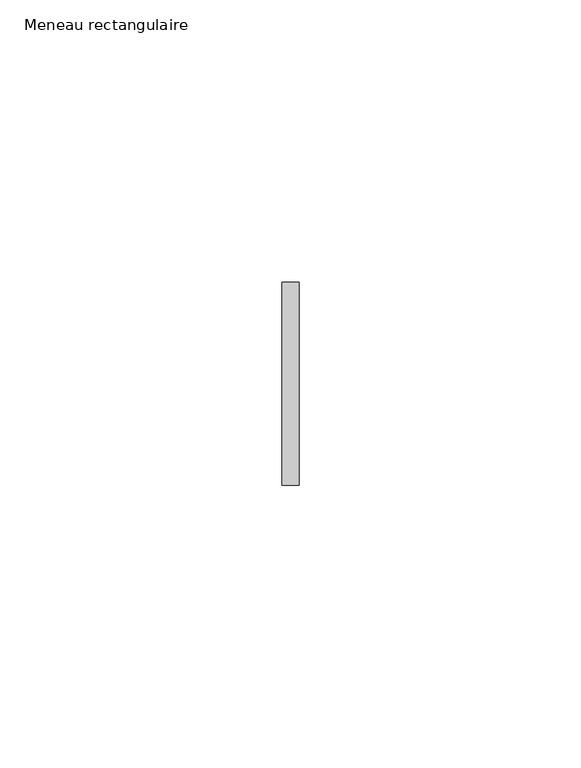
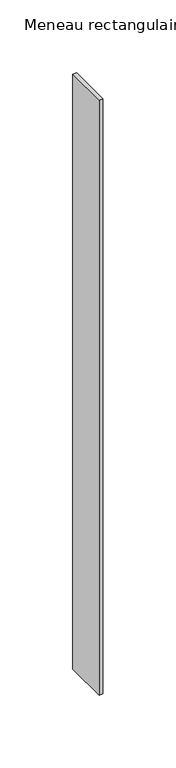
"""IFC4 building model written with IfcOpenShell, lengths in millimetres: member geometry, Meneau rectangulaire."""

from ifc_helpers import new_model, si_unit, frame, origin, place, context, project, spatial, polyline, outline, extrude, source, transform, mapped, element, save


def meneau_rectangulaire_4bb2bc10(model_context):
    return source(origin(), model_context, "Body", "SweptSolid", [
        extrude(outline(polyline([(-1.5, 18.0), (1.5, 18.0), (1.5, -18.0), (-1.5, -18.0), (-1.5, 18.0)])), frame((0.0, 0.0, -498.5), z_axis=(0.0, 0.0, 1.0), x_axis=(1.0, 0.0, 0.0)), (0.0, 0.0, 1.0), 498.5),
    ])


if __name__ == "__main__":
    model = new_model("IFC4")
    model_context = context("Model", 3, world=origin())
    ifc_project = project(units=[si_unit("LENGTHUNIT", "METRE", prefix="MILLI")], contexts=[model_context])
    site = spatial("IfcSite", under=ifc_project)
    building = spatial("IfcBuilding", under=site)
    placement = place(None, origin())
    meneau_rectangulaire_shape = meneau_rectangulaire_4bb2bc10(model_context)
    element("IfcMember", 1, ObjectType="Meneau rectangulaire", at=placement, inside=building, context=model_context, shape_type="MappedRepresentation", body=[
        mapped(meneau_rectangulaire_shape, transform((0.0, 0.0, 0.0), x_axis=(1.0, 0.0, 0.0), y_axis=(0.0, 1.0, 0.0), z_axis=(0.0, 0.0, 1.0))),
    ])
    save(model, "model.ifc")
